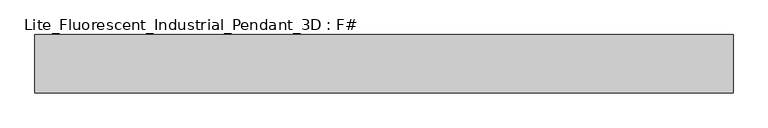
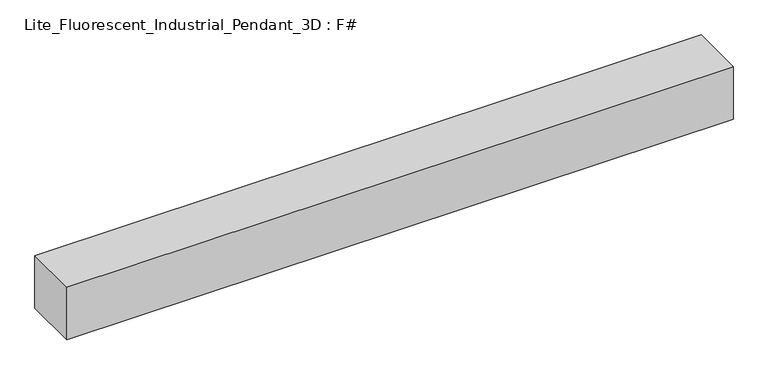
"""IFC4 building model written with IfcOpenShell, lengths in millimetres: light fixture geometry, Lite_Fluorescent_Industrial_Pendant_3D : F#."""

from ifc_helpers import new_model, si_unit, frame, origin, place, context, project, spatial, polyline, outline, extrude, source, transform, mapped, element, save


def lite_fluorescent_industrial_pendant_3d_f_1e824eb7(model_context):
    return source(origin(), model_context, "Body", "SweptSolid", [
        extrude(outline(polyline([(609.6, -50.8), (-609.6, -50.8), (-609.6, 50.8), (609.6, 50.8), (609.6, -50.8)])), frame((0.0, 0.0, 914.4), z_axis=(0.0, 0.0, 1.0), x_axis=(1.0, 0.0, 0.0)), (0.0, 0.0, 1.0), 101.6),
    ])


if __name__ == "__main__":
    model = new_model("IFC4")
    model_context = context("Model", 3, world=origin())
    ifc_project = project(units=[si_unit("LENGTHUNIT", "METRE", prefix="MILLI")], contexts=[model_context])
    site = spatial("IfcSite", under=ifc_project)
    building = spatial("IfcBuilding", under=site)
    placement = place(None, origin())
    lite_fluorescent_industrial_pendant_3d_f_shape = lite_fluorescent_industrial_pendant_3d_f_1e824eb7(model_context)
    element("IfcLightFixture", 1, ObjectType="Lite_Fluorescent_Industrial_Pendant_3D : F#", at=placement, inside=building, context=model_context, shape_type="MappedRepresentation", body=[
        mapped(lite_fluorescent_industrial_pendant_3d_f_shape, transform((0.0, 0.0, 0.0), x_axis=(1.0, 0.0, 0.0), y_axis=(0.0, 1.0, 0.0), z_axis=(0.0, 0.0, 1.0))),
    ])
    save(model, "model.ifc")
